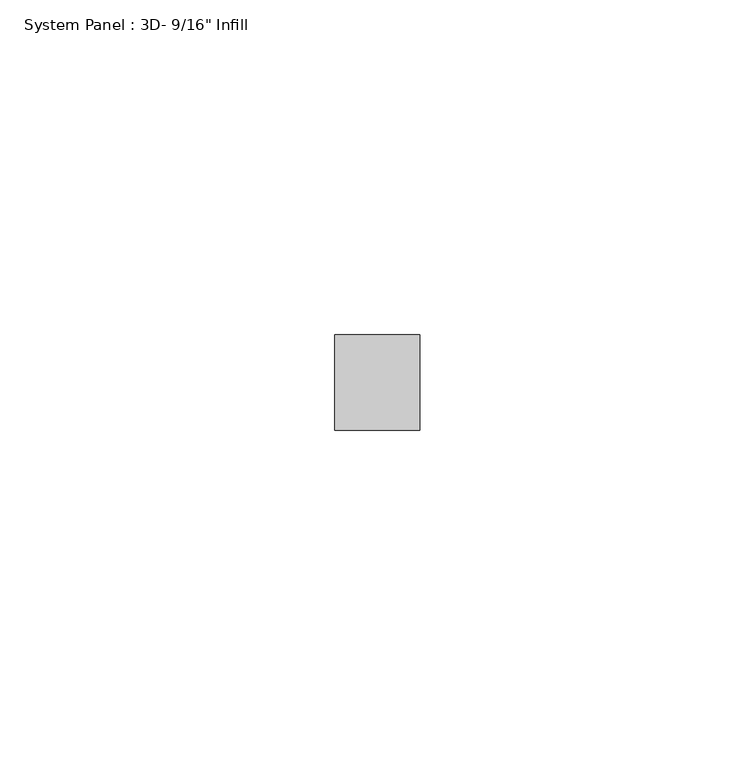
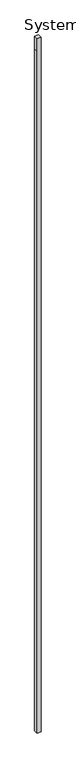
"""IFC4 building model written with IfcOpenShell, lengths in millimetres: plate geometry."""

from ifc_helpers import new_model, si_unit, frame, origin, place, context, project, spatial, polyline, outline, extrude, source, transform, mapped, element, save


def plate_ee35db4e(model_context):
    return source(origin(), model_context, "Body", "SweptSolid", [
        extrude(outline(polyline([(0.0, -6.35), (0.0, 6.35), (2393.95, 6.35), (2438.4, 6.35), (2438.4, -6.35), (2393.95, -6.35), (0.0, -6.35)])), frame((0.0, -44.45, 0.0), z_axis=(0.0, 1.0, 0.0), x_axis=(0.0, 0.0, 1.0)), (0.0, 0.0, 1.0), 14.2875),
    ])


if __name__ == "__main__":
    model = new_model("IFC4")
    model_context = context("Model", 3, world=origin())
    ifc_project = project(units=[si_unit("LENGTHUNIT", "METRE", prefix="MILLI")], contexts=[model_context])
    site = spatial("IfcSite", under=ifc_project)
    building = spatial("IfcBuilding", under=site)
    placement = place(None, origin())
    plate_shape = plate_ee35db4e(model_context)
    element("IfcPlate", 1, ObjectType="System Panel : 3D- 9/16\" Infill", at=placement, inside=building, context=model_context, shape_type="MappedRepresentation", body=[
        mapped(plate_shape, transform((0.0, 0.0, 0.0), x_axis=(1.0, 0.0, 0.0), y_axis=(0.0, 1.0, 0.0), z_axis=(0.0, 0.0, 1.0))),
    ])
    save(model, "model.ifc")
